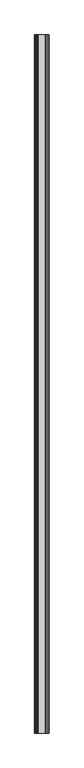
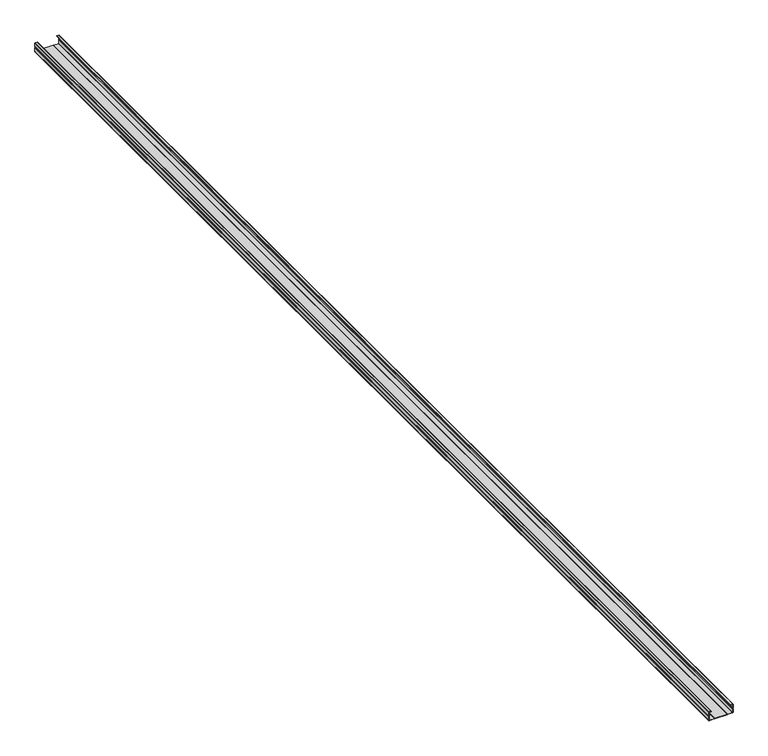
"""IFC4 building model written with IfcOpenShell, lengths in millimetres: proxy geometry."""

import ifcopenshell
import ifcopenshell.guid

model = None  # the IFC model being written
_history = None  # IfcOwnerHistory: only IFC2X3 demands one
_inside = {}  # id of a spatial element -> (the spatial element, [elements in it])
_under = {}  # id of a project, library or spatial element -> (it, [spatial elements below it])
_declared = {}  # id of a project -> (the project, [libraries it declares])
_typed = {}  # id of a type object -> (the type object, [elements of that type])
_made_of = {}  # id of a material, layer set ... -> (it, [elements and type objects made of it])


def new_model(schema):
    """Start an empty IFC model of exactly this schema.

    Asked for "IFC4X3", IfcOpenShell would pick the latest addendum, in which some entities
    have other attributes; the version numbers below select the first issue.
    IFC2X3 requires an IfcOwnerHistory on every rooted entity: one is made here for all.
    """
    global model, _history
    if schema == "IFC4X3":
        model = ifcopenshell.file(schema_version=(4, 3, 0, 0))
    else:
        model = ifcopenshell.file(schema=schema)
    _inside.clear()
    _under.clear()
    _declared.clear()
    _typed.clear()
    _made_of.clear()
    _history = None
    if model.schema == "IFC2X3":
        org = make("IfcOrganization", Name="unknown")
        user = make(
            "IfcPersonAndOrganization",
            ThePerson=make("IfcPerson", FamilyName="unknown"),
            TheOrganization=org,
        )
        app = make(
            "IfcApplication",
            ApplicationDeveloper=org,
            Version="unknown",
            ApplicationFullName="unknown",
            ApplicationIdentifier="unknown",
        )
        _history = make(
            "IfcOwnerHistory",
            OwningUser=user,
            OwningApplication=app,
            ChangeAction="ADDED",
            CreationDate=0,
        )
    return model


def make(cls, **values):
    """One entity of the class cls with the attributes given. An attribute that is None is left unset."""
    return model.create_entity(
        cls, **{name: value for name, value in values.items() if value is not None}
    )


def rooted(cls, **values):
    """An entity with a GlobalId (a new one), such as an element, a storey or a relation."""
    return make(cls, GlobalId=ifcopenshell.guid.new(), OwnerHistory=_history, **values)


def si_unit(unit_type, name, prefix=None):
    """IfcSIUnit, for example si_unit("LENGTHUNIT", "METRE", prefix="MILLI")."""
    return make("IfcSIUnit", UnitType=unit_type, Prefix=prefix, Name=name)


def assignment(units):
    """IfcUnitAssignment: the units of a project."""
    return None if units is None else make("IfcUnitAssignment", Units=units)


def point(xyz):
    """IfcCartesianPoint."""
    return None if xyz is None else make("IfcCartesianPoint", Coordinates=xyz)


def direction(xyz):
    """IfcDirection."""
    return None if xyz is None else make("IfcDirection", DirectionRatios=xyz)


def frame(location, z_axis=None, x_axis=None):
    """IfcAxis2Placement3D, a coordinate frame: its origin and axes. An axis left out is left unset."""
    return make(
        "IfcAxis2Placement3D",
        Location=point(location),
        Axis=direction(z_axis),
        RefDirection=direction(x_axis),
    )


def frame_2d(location, x_axis=None):
    """IfcAxis2Placement2D, a coordinate frame in the plane: its origin and x axis."""
    return make(
        "IfcAxis2Placement2D", Location=point(location), RefDirection=direction(x_axis)
    )


def origin():
    """The frame at (0, 0, 0) with its axes left unset."""
    return frame((0.0, 0.0, 0.0))


def place(relative_to, where):
    """IfcLocalPlacement: puts the frame where relative to a parent placement (None: the world)."""
    return make(
        "IfcLocalPlacement", PlacementRelTo=relative_to, RelativePlacement=where
    )


def context(
    kind, dimensions, precision=None, world=None, true_north=None, identifier=None
):
    """IfcGeometricRepresentationContext, for example the 3D "Model" context."""
    return make(
        "IfcGeometricRepresentationContext",
        ContextIdentifier=identifier,
        ContextType=kind,
        CoordinateSpaceDimension=dimensions,
        Precision=precision,
        WorldCoordinateSystem=world,
        TrueNorth=true_north,
    )


def project(units=None, contexts=None):
    """IfcProject with its units and contexts."""
    return rooted(
        "IfcProject",
        Name="project",
        RepresentationContexts=contexts,
        UnitsInContext=assignment(units),
    )


def spatial(cls, under=None, at=None, **own):
    """A site, building, storey or space (cls), placed at a placement, below another one or the project."""
    s = rooted(cls, ObjectPlacement=at, **own)
    if under is not None:
        _under.setdefault(under.id(), (under, []))[1].append(s)
    return s


def polyline(points):
    """IfcPolyline through the points."""
    return make("IfcPolyline", Points=[point(p) for p in points])


def circle_curve(where, radius):
    """IfcCircle in the frame where."""
    return make("IfcCircle", Position=where, Radius=radius)


def trimmed(basis, trim1, trim2, sense, master):
    """IfcTrimmedCurve: the piece of a basis curve between two trims."""
    return make(
        "IfcTrimmedCurve",
        BasisCurve=basis,
        Trim1=trim1,
        Trim2=trim2,
        SenseAgreement=sense,
        MasterRepresentation=master,
    )


def segment(curve, same_sense, transition):
    """IfcCompositeCurveSegment."""
    return make(
        "IfcCompositeCurveSegment",
        Transition=transition,
        SameSense=same_sense,
        ParentCurve=curve,
    )


def composite_curve(segments, self_intersect=None):
    """IfcCompositeCurve: segments joined end to end."""
    return make("IfcCompositeCurve", Segments=segments, SelfIntersect=self_intersect)


def outline(outer, holes=None, kind="AREA"):
    """IfcArbitraryClosedProfileDef: a profile drawn as a closed curve; with holes, ...WithVoids."""
    if holes is None:
        return make("IfcArbitraryClosedProfileDef", ProfileType=kind, OuterCurve=outer)
    return make(
        "IfcArbitraryProfileDefWithVoids",
        ProfileType=kind,
        OuterCurve=outer,
        InnerCurves=holes,
    )


def extrude(swept, where, along, depth):
    """IfcExtrudedAreaSolid: the profile swept, set in the frame where, extruded along a direction by depth."""
    return make(
        "IfcExtrudedAreaSolid",
        SweptArea=swept,
        Position=where,
        ExtrudedDirection=direction(along),
        Depth=depth,
    )


def shape(context_of_items, identifier, shape_type, items):
    """IfcShapeRepresentation: the items that make up one representation, for example the "Body"."""
    return make(
        "IfcShapeRepresentation",
        ContextOfItems=context_of_items,
        RepresentationIdentifier=identifier,
        RepresentationType=shape_type,
        Items=items,
    )


def source(mapping_origin, context_of_items, identifier, shape_type, items):
    """IfcRepresentationMap: a shape defined once, which mapped items show again and again."""
    return make(
        "IfcRepresentationMap",
        MappingOrigin=mapping_origin,
        MappedRepresentation=shape(context_of_items, identifier, shape_type, items),
    )


def transform(
    local_origin,
    x_axis=None,
    y_axis=None,
    z_axis=None,
    scale=None,
    scale2=None,
    scale3=None,
    uniform=True,
):
    """IfcCartesianTransformationOperator3D, or its non-uniform kind. x_axis, y_axis, z_axis: its Axis1, 2, 3."""
    if uniform:
        return make(
            "IfcCartesianTransformationOperator3D",
            Axis1=direction(x_axis),
            Axis2=direction(y_axis),
            LocalOrigin=point(local_origin),
            Scale=scale,
            Axis3=direction(z_axis),
        )
    return make(
        "IfcCartesianTransformationOperator3DnonUniform",
        Axis1=direction(x_axis),
        Axis2=direction(y_axis),
        LocalOrigin=point(local_origin),
        Scale=scale,
        Axis3=direction(z_axis),
        Scale2=scale2,
        Scale3=scale3,
    )


def mapped(mapping_source, mapping_target):
    """IfcMappedItem: shows the shape of a source again, moved by a transform."""
    return make(
        "IfcMappedItem", MappingSource=mapping_source, MappingTarget=mapping_target
    )


def made_of(thing, what):
    """Note that an element or type object is made of a material, layer set ...; save() writes the relation."""
    if what is not None:
        _made_of.setdefault(what.id(), (what, []))[1].append(thing)
    return thing


def element(
    cls,
    number,
    at=None,
    inside=None,
    cuts=None,
    type_object=None,
    material=None,
    context=None,
    identifier="Body",
    shape_type=None,
    held_by="IfcProductDefinitionShape",
    body=None,
    shapes=None,
    **own,
):
    """One element of the class cls, such as IfcWall. Its Tag is "e" and its number.

    at: its placement. inside: the storey or other place that contains it. cuts: it is an
    opening in that element (IfcRelVoidsElement). A single representation is given by context,
    identifier, shape_type and body (its items); several are given by shapes. held_by: the class
    of the entity that holds the representations. save() writes the other relations.
    """
    e = rooted(cls, Tag="e%d" % number, ObjectPlacement=at, **own)
    if body is not None:
        shapes = [shape(context, identifier, shape_type, body)]
    if shapes is not None:
        e.Representation = make(held_by, Representations=shapes)
    if inside is not None:
        _inside.setdefault(inside.id(), (inside, []))[1].append(e)
    if cuts is not None:
        rooted(
            "IfcRelVoidsElement", RelatingBuildingElement=cuts, RelatedOpeningElement=e
        )
    if type_object is not None:
        _typed.setdefault(type_object.id(), (type_object, []))[1].append(e)
    return made_of(e, material)


def aggregate(whole, parts):
    """IfcRelAggregates: a whole, such as a stair, and the parts it consists of."""
    return rooted("IfcRelAggregates", RelatingObject=whole, RelatedObjects=parts)


def save(model, path):
    """Write the relations noted so far, then the file.

    IfcRelAggregates (storeys below a building ...), IfcRelContainedInSpatialStructure (elements
    in a storey), IfcRelDefinesByType, IfcRelAssociatesMaterial and IfcRelDeclares: one each for
    every whole, place, type object, material and project.
    """
    for whole, parts in _under.values():
        aggregate(whole, parts)
    for where, things in _inside.values():
        rooted(
            "IfcRelContainedInSpatialStructure",
            RelatedElements=things,
            RelatingStructure=where,
        )
    for kind, things in _typed.values():
        rooted("IfcRelDefinesByType", RelatedObjects=things, RelatingType=kind)
    for what, things in _made_of.values():
        rooted("IfcRelAssociatesMaterial", RelatedObjects=things, RelatingMaterial=what)
    for by, libraries in _declared.values():
        rooted("IfcRelDeclares", RelatingContext=by, RelatedDefinitions=libraries)
    model.write(path)


def generic_models_443e382d(model_context):
    return source(origin(), model_context, "Body", "SweptSolid", [
        extrude(outline(composite_curve([segment(trimmed(circle_curve(frame_2d((9.5, 24.9987371)), 1.25), [point((10.6456439, 24.4987371))], [point((8.3543561, 24.4987371))], False, "CARTESIAN"), True, "CONTINUOUS"), segment(polyline([(8.3543561, 24.4987371), (1.2, 24.4987371)]), True, "CONTINUOUS"), segment(trimmed(circle_curve(frame_2d((1.2, 23.7987371)), 0.7), [point((1.2, 24.4987371))], [point((0.5, 23.7987371))], True, "CARTESIAN"), True, "CONTINUOUS"), segment(polyline([(0.5, 23.7987371), (0.5, 13.4994066), (1.2145521, 12.9990718), (0.5, 12.4987371), (0.5, -12.5005934), (1.2145521, -13.0009282), (0.5, -13.5012629), (0.5, -23.8012629)]), True, "CONTINUOUS"), segment(trimmed(circle_curve(frame_2d((1.2, -23.8012629)), 0.7), [point((0.5, -23.8012629))], [point((1.2, -24.5012629))], True, "CARTESIAN"), True, "CONTINUOUS"), segment(polyline([(1.2, -24.5012629), (8.3543561, -24.5012629)]), True, "CONTINUOUS"), segment(trimmed(circle_curve(frame_2d((9.5, -25.0012629)), 1.25), [point((8.3543561, -24.5012629))], [point((10.6456439, -24.5012629))], False, "CARTESIAN"), True, "CONTINUOUS"), segment(polyline([(10.6456439, -24.5012629), (17.8, -24.5012629)]), True, "CONTINUOUS"), segment(trimmed(circle_curve(frame_2d((17.8, -23.8012629)), 0.7), [point((17.8, -24.5012629))], [point((18.5, -23.8012629))], True, "CARTESIAN"), True, "CONTINUOUS"), segment(polyline([(18.5, -23.8012629), (18.5, -19.9290372), (17.8, -21.5012629), (17.8, -20.0012629)]), True, "CONTINUOUS"), segment(trimmed(circle_curve(frame_2d((18.4, -20.0012629)), 0.6), [point((17.8, -20.0012629))], [point((19.0, -20.0012629))], False, "CARTESIAN"), True, "CONTINUOUS"), segment(polyline([(19.0, -20.0012629), (19.0, -24.3012629)]), True, "CONTINUOUS"), segment(trimmed(circle_curve(frame_2d((18.3, -24.3012629)), 0.7), [point((19.0, -24.3012629))], [point((18.3, -25.0012629))], False, "CARTESIAN"), True, "CONTINUOUS"), segment(polyline([(18.3, -25.0012629), (10.25, -25.0012629)]), True, "CONTINUOUS"), segment(trimmed(circle_curve(frame_2d((9.5, -25.0012629)), 0.75), [point((10.25, -25.0012629))], [point((8.75, -25.0012629))], True, "CARTESIAN"), True, "CONTINUOUS"), segment(polyline([(8.75, -25.0012629), (0.7, -25.0012629)]), True, "CONTINUOUS"), segment(trimmed(circle_curve(frame_2d((0.7, -24.3012629)), 0.7), [point((0.7, -25.0012629))], [point((0.0, -24.3012629))], False, "CARTESIAN"), True, "CONTINUOUS"), segment(polyline([(0.0, -24.3012629), (0.0, -13.5012629), (0.7145521, -13.0009282), (0.0, -12.5005934), (0.0, 12.5005934), (0.7145521, 13.0009282), (0.0, 13.5012629), (0.0, 24.2987371)]), True, "CONTINUOUS"), segment(trimmed(circle_curve(frame_2d((0.7, 24.2987371)), 0.7), [point((0.0, 24.2987371))], [point((0.7, 24.9987371))], False, "CARTESIAN"), True, "CONTINUOUS"), segment(polyline([(0.7, 24.9987371), (8.75, 24.9987371)]), True, "CONTINUOUS"), segment(trimmed(circle_curve(frame_2d((9.5, 24.9987371)), 0.75), [point((8.75, 24.9987371))], [point((10.25, 24.9987371))], True, "CARTESIAN"), True, "CONTINUOUS"), segment(polyline([(10.25, 24.9987371), (18.3, 24.9987371)]), True, "CONTINUOUS"), segment(trimmed(circle_curve(frame_2d((18.3, 24.2987371)), 0.7), [point((18.3, 24.9987371))], [point((19.0, 24.2987371))], False, "CARTESIAN"), True, "CONTINUOUS"), segment(polyline([(19.0, 24.2987371), (19.0, 19.9987371)]), True, "CONTINUOUS"), segment(trimmed(circle_curve(frame_2d((18.4, 19.9987371)), 0.6), [point((19.0, 19.9987371))], [point((17.8, 19.9987371))], False, "CARTESIAN"), True, "CONTINUOUS"), segment(polyline([(17.8, 19.9987371), (17.8, 21.4987371), (18.5, 19.9265113), (18.5, 23.7987371)]), True, "CONTINUOUS"), segment(trimmed(circle_curve(frame_2d((17.8, 23.7987371)), 0.7), [point((18.5, 23.7987371))], [point((17.8, 24.4987371))], True, "CARTESIAN"), True, "CONTINUOUS"), segment(polyline([(17.8, 24.4987371), (10.6456439, 24.4987371)]), True, "CONTINUOUS")], self_intersect=False)), frame((0.0, -2400.0, 0.0), z_axis=(0.0, 1.0, 0.0), x_axis=(0.0, 0.0, 1.0)), (0.0, 0.0, 1.0), 2400.0),
    ])


if __name__ == "__main__":
    model = new_model("IFC4")
    model_context = context("Model", 3, world=origin())
    ifc_project = project(units=[si_unit("LENGTHUNIT", "METRE", prefix="MILLI")], contexts=[model_context])
    site = spatial("IfcSite", under=ifc_project)
    building = spatial("IfcBuilding", under=site)
    placement = place(None, origin())
    generic_models_shape = generic_models_443e382d(model_context)
    element("IfcBuildingElementProxy", 1, Name="Generic Models", at=placement, inside=building, context=model_context, shape_type="MappedRepresentation", body=[
        mapped(generic_models_shape, transform((0.0, 0.0, 0.0), x_axis=(1.0, 0.0, 0.0), y_axis=(0.0, 1.0, 0.0), z_axis=(0.0, 0.0, 1.0))),
    ])
    save(model, "model.ifc")
